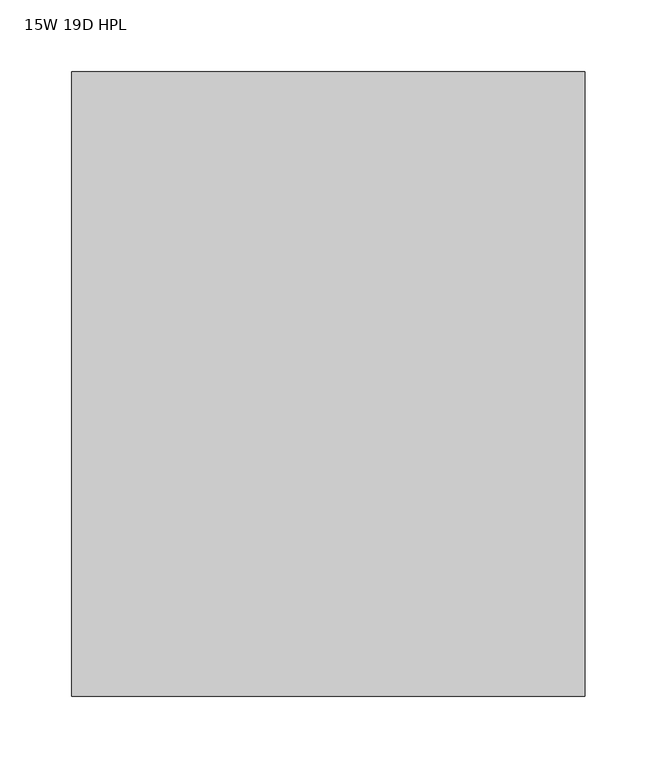
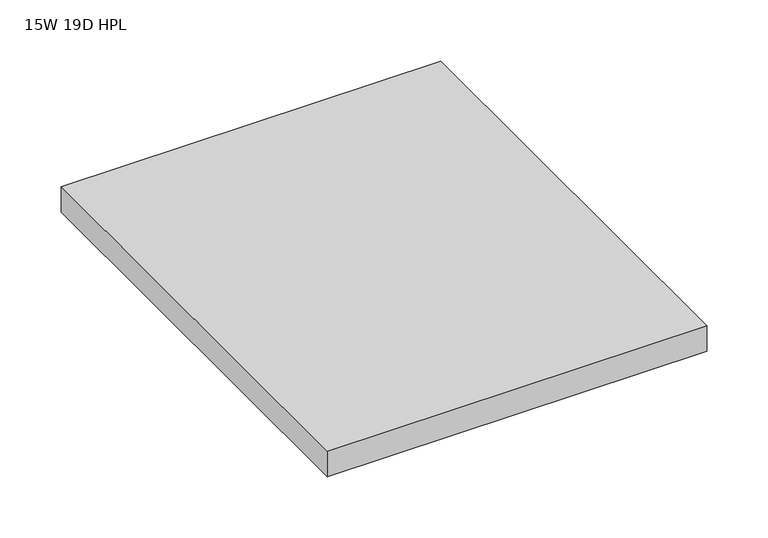
"""IFC4 building model written with IfcOpenShell, lengths in millimetres: furniture geometry, 15W 19D HPL."""

import ifcopenshell
import ifcopenshell.guid

model = None  # the IFC model being written
_history = None  # IfcOwnerHistory: only IFC2X3 demands one
_inside = {}  # id of a spatial element -> (the spatial element, [elements in it])
_under = {}  # id of a project, library or spatial element -> (it, [spatial elements below it])
_declared = {}  # id of a project -> (the project, [libraries it declares])
_typed = {}  # id of a type object -> (the type object, [elements of that type])
_made_of = {}  # id of a material, layer set ... -> (it, [elements and type objects made of it])


def new_model(schema):
    """Start an empty IFC model of exactly this schema.

    Asked for "IFC4X3", IfcOpenShell would pick the latest addendum, in which some entities
    have other attributes; the version numbers below select the first issue.
    IFC2X3 requires an IfcOwnerHistory on every rooted entity: one is made here for all.
    """
    global model, _history
    if schema == "IFC4X3":
        model = ifcopenshell.file(schema_version=(4, 3, 0, 0))
    else:
        model = ifcopenshell.file(schema=schema)
    _inside.clear()
    _under.clear()
    _declared.clear()
    _typed.clear()
    _made_of.clear()
    _history = None
    if model.schema == "IFC2X3":
        org = make("IfcOrganization", Name="unknown")
        user = make(
            "IfcPersonAndOrganization",
            ThePerson=make("IfcPerson", FamilyName="unknown"),
            TheOrganization=org,
        )
        app = make(
            "IfcApplication",
            ApplicationDeveloper=org,
            Version="unknown",
            ApplicationFullName="unknown",
            ApplicationIdentifier="unknown",
        )
        _history = make(
            "IfcOwnerHistory",
            OwningUser=user,
            OwningApplication=app,
            ChangeAction="ADDED",
            CreationDate=0,
        )
    return model


def make(cls, **values):
    """One entity of the class cls with the attributes given. An attribute that is None is left unset."""
    return model.create_entity(
        cls, **{name: value for name, value in values.items() if value is not None}
    )


def rooted(cls, **values):
    """An entity with a GlobalId (a new one), such as an element, a storey or a relation."""
    return make(cls, GlobalId=ifcopenshell.guid.new(), OwnerHistory=_history, **values)


def si_unit(unit_type, name, prefix=None):
    """IfcSIUnit, for example si_unit("LENGTHUNIT", "METRE", prefix="MILLI")."""
    return make("IfcSIUnit", UnitType=unit_type, Prefix=prefix, Name=name)


def assignment(units):
    """IfcUnitAssignment: the units of a project."""
    return None if units is None else make("IfcUnitAssignment", Units=units)


def point(xyz):
    """IfcCartesianPoint."""
    return None if xyz is None else make("IfcCartesianPoint", Coordinates=xyz)


def direction(xyz):
    """IfcDirection."""
    return None if xyz is None else make("IfcDirection", DirectionRatios=xyz)


def frame(location, z_axis=None, x_axis=None):
    """IfcAxis2Placement3D, a coordinate frame: its origin and axes. An axis left out is left unset."""
    return make(
        "IfcAxis2Placement3D",
        Location=point(location),
        Axis=direction(z_axis),
        RefDirection=direction(x_axis),
    )


def origin():
    """The frame at (0, 0, 0) with its axes left unset."""
    return frame((0.0, 0.0, 0.0))


def place(relative_to, where):
    """IfcLocalPlacement: puts the frame where relative to a parent placement (None: the world)."""
    return make(
        "IfcLocalPlacement", PlacementRelTo=relative_to, RelativePlacement=where
    )


def context(
    kind, dimensions, precision=None, world=None, true_north=None, identifier=None
):
    """IfcGeometricRepresentationContext, for example the 3D "Model" context."""
    return make(
        "IfcGeometricRepresentationContext",
        ContextIdentifier=identifier,
        ContextType=kind,
        CoordinateSpaceDimension=dimensions,
        Precision=precision,
        WorldCoordinateSystem=world,
        TrueNorth=true_north,
    )


def project(units=None, contexts=None):
    """IfcProject with its units and contexts."""
    return rooted(
        "IfcProject",
        Name="project",
        RepresentationContexts=contexts,
        UnitsInContext=assignment(units),
    )


def spatial(cls, under=None, at=None, **own):
    """A site, building, storey or space (cls), placed at a placement, below another one or the project."""
    s = rooted(cls, ObjectPlacement=at, **own)
    if under is not None:
        _under.setdefault(under.id(), (under, []))[1].append(s)
    return s


def polyline(points):
    """IfcPolyline through the points."""
    return make("IfcPolyline", Points=[point(p) for p in points])


def outline(outer, holes=None, kind="AREA"):
    """IfcArbitraryClosedProfileDef: a profile drawn as a closed curve; with holes, ...WithVoids."""
    if holes is None:
        return make("IfcArbitraryClosedProfileDef", ProfileType=kind, OuterCurve=outer)
    return make(
        "IfcArbitraryProfileDefWithVoids",
        ProfileType=kind,
        OuterCurve=outer,
        InnerCurves=holes,
    )


def extrude(swept, where, along, depth):
    """IfcExtrudedAreaSolid: the profile swept, set in the frame where, extruded along a direction by depth."""
    return make(
        "IfcExtrudedAreaSolid",
        SweptArea=swept,
        Position=where,
        ExtrudedDirection=direction(along),
        Depth=depth,
    )


def shape(context_of_items, identifier, shape_type, items):
    """IfcShapeRepresentation: the items that make up one representation, for example the "Body"."""
    return make(
        "IfcShapeRepresentation",
        ContextOfItems=context_of_items,
        RepresentationIdentifier=identifier,
        RepresentationType=shape_type,
        Items=items,
    )


def source(mapping_origin, context_of_items, identifier, shape_type, items):
    """IfcRepresentationMap: a shape defined once, which mapped items show again and again."""
    return make(
        "IfcRepresentationMap",
        MappingOrigin=mapping_origin,
        MappedRepresentation=shape(context_of_items, identifier, shape_type, items),
    )


def transform(
    local_origin,
    x_axis=None,
    y_axis=None,
    z_axis=None,
    scale=None,
    scale2=None,
    scale3=None,
    uniform=True,
):
    """IfcCartesianTransformationOperator3D, or its non-uniform kind. x_axis, y_axis, z_axis: its Axis1, 2, 3."""
    if uniform:
        return make(
            "IfcCartesianTransformationOperator3D",
            Axis1=direction(x_axis),
            Axis2=direction(y_axis),
            LocalOrigin=point(local_origin),
            Scale=scale,
            Axis3=direction(z_axis),
        )
    return make(
        "IfcCartesianTransformationOperator3DnonUniform",
        Axis1=direction(x_axis),
        Axis2=direction(y_axis),
        LocalOrigin=point(local_origin),
        Scale=scale,
        Axis3=direction(z_axis),
        Scale2=scale2,
        Scale3=scale3,
    )


def mapped(mapping_source, mapping_target):
    """IfcMappedItem: shows the shape of a source again, moved by a transform."""
    return make(
        "IfcMappedItem", MappingSource=mapping_source, MappingTarget=mapping_target
    )


def made_of(thing, what):
    """Note that an element or type object is made of a material, layer set ...; save() writes the relation."""
    if what is not None:
        _made_of.setdefault(what.id(), (what, []))[1].append(thing)
    return thing


def element(
    cls,
    number,
    at=None,
    inside=None,
    cuts=None,
    type_object=None,
    material=None,
    context=None,
    identifier="Body",
    shape_type=None,
    held_by="IfcProductDefinitionShape",
    body=None,
    shapes=None,
    **own,
):
    """One element of the class cls, such as IfcWall. Its Tag is "e" and its number.

    at: its placement. inside: the storey or other place that contains it. cuts: it is an
    opening in that element (IfcRelVoidsElement). A single representation is given by context,
    identifier, shape_type and body (its items); several are given by shapes. held_by: the class
    of the entity that holds the representations. save() writes the other relations.
    """
    e = rooted(cls, Tag="e%d" % number, ObjectPlacement=at, **own)
    if body is not None:
        shapes = [shape(context, identifier, shape_type, body)]
    if shapes is not None:
        e.Representation = make(held_by, Representations=shapes)
    if inside is not None:
        _inside.setdefault(inside.id(), (inside, []))[1].append(e)
    if cuts is not None:
        rooted(
            "IfcRelVoidsElement", RelatingBuildingElement=cuts, RelatedOpeningElement=e
        )
    if type_object is not None:
        _typed.setdefault(type_object.id(), (type_object, []))[1].append(e)
    return made_of(e, material)


def aggregate(whole, parts):
    """IfcRelAggregates: a whole, such as a stair, and the parts it consists of."""
    return rooted("IfcRelAggregates", RelatingObject=whole, RelatedObjects=parts)


def save(model, path):
    """Write the relations noted so far, then the file.

    IfcRelAggregates (storeys below a building ...), IfcRelContainedInSpatialStructure (elements
    in a storey), IfcRelDefinesByType, IfcRelAssociatesMaterial and IfcRelDeclares: one each for
    every whole, place, type object, material and project.
    """
    for whole, parts in _under.values():
        aggregate(whole, parts)
    for where, things in _inside.values():
        rooted(
            "IfcRelContainedInSpatialStructure",
            RelatedElements=things,
            RelatingStructure=where,
        )
    for kind, things in _typed.values():
        rooted("IfcRelDefinesByType", RelatedObjects=things, RelatingType=kind)
    for what, things in _made_of.values():
        rooted("IfcRelAssociatesMaterial", RelatedObjects=things, RelatingMaterial=what)
    for by, libraries in _declared.values():
        rooted("IfcRelDeclares", RelatingContext=by, RelatedDefinitions=libraries)
    model.write(path)


def furniture_15w_19d_hpl_8343f1b8(model_context):
    return source(origin(), model_context, "Body", "SweptSolid", [
        extrude(outline(polyline([(370.0526, -22.987), (370.0526, -459.613), (10.9474, -459.613), (10.9474, -22.987), (370.0526, -22.987)])), frame((0.0, 0.0, 863.6), z_axis=(0.0, 0.0, 1.0), x_axis=(1.0, 0.0, 0.0)), (0.0, 0.0, 1.0), 25.4),
    ])


if __name__ == "__main__":
    model = new_model("IFC4")
    model_context = context("Model", 3, world=origin())
    ifc_project = project(units=[si_unit("LENGTHUNIT", "METRE", prefix="MILLI")], contexts=[model_context])
    site = spatial("IfcSite", under=ifc_project)
    building = spatial("IfcBuilding", under=site)
    placement = place(None, origin())
    furniture_15w_19d_hpl_shape = furniture_15w_19d_hpl_8343f1b8(model_context)
    element("IfcFurniture", 1, ObjectType="15W 19D HPL", at=placement, inside=building, context=model_context, shape_type="MappedRepresentation", body=[
        mapped(furniture_15w_19d_hpl_shape, transform((0.0, 0.0, 0.0), x_axis=(1.0, 0.0, 0.0), y_axis=(0.0, 1.0, 0.0), z_axis=(0.0, 0.0, 1.0))),
    ])
    save(model, "model.ifc")
